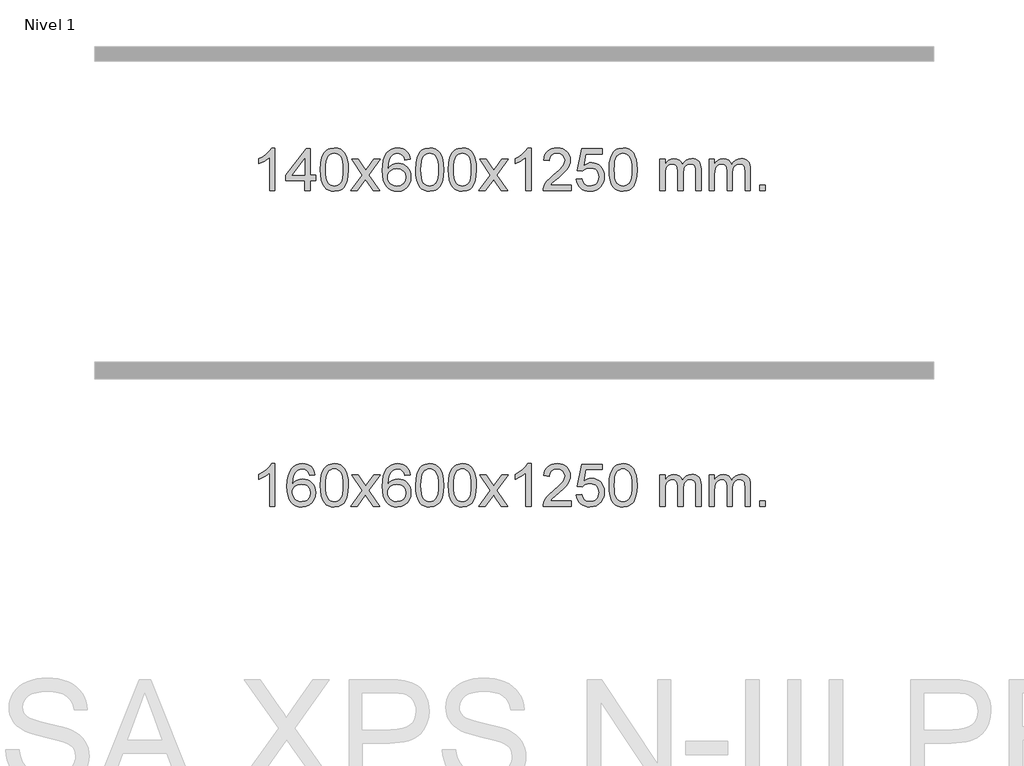
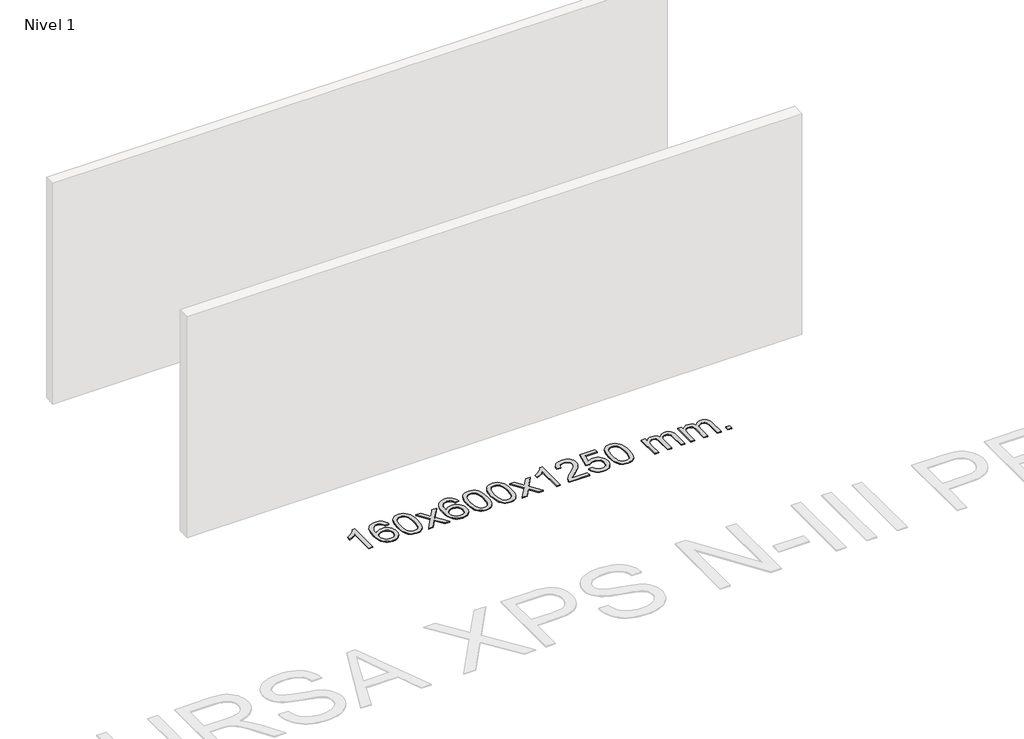
# One storey, part 2 of 6: 2 proxies.
"""IFC4 building model written with IfcOpenShell, lengths in millimetres."""

from ifc_helpers import new_model, si_unit, origin, origin_with_axes, place, context, project, spatial, polyline, outline, extrude, element, save

model = new_model("IFC4")

# Units and contexts
model_context = context("Model", 3, world=origin())
ifc_project = project(units=[si_unit("LENGTHUNIT", "METRE", prefix="MILLI")], contexts=[model_context])

# Site, building, storey
site = spatial("IfcSite", under=ifc_project)
building = spatial("IfcBuilding", under=site)
storey = spatial("IfcBuildingStorey", under=building, Name="Nivel 1", Elevation=0.0)

# Proxies
placement = place(None, origin())
element("IfcBuildingElementProxy", 1, Name="Texto de modelo 1", ObjectType="Texto de modelo 1", at=placement, inside=storey, context=model_context, shape_type="SweptSolid", body=[
    extrude(outline(polyline([(-4836.3117093, -18381.579453), (-4886.5398644, -18381.579453), (-4886.5398644, -18068.4382987), (-4907.5091381, -18085.3976587), (-4934.1192691, -18102.3324932), (-4986.9961745, -18127.6918254), (-4986.9961745, -18080.2105225), (-4947.5469619, -18058.7507395), (-4913.3707246, -18033.219729), (-4886.4294998, -18006.0700378), (-4868.6853249, -17979.7542124), (-4836.3117093, -17979.7542124), (-4836.3117093, -18381.579453)])), origin_with_axes(), (0.0, 0.0, 1.0), 10.0),
    extrude(outline(polyline([(-4553.778337, -18381.579453), (-4553.778337, -18287.4016622), (-4735.8553992, -18287.4016622), (-4735.8553992, -18237.1735072), (-4541.2212982, -17986.0327318), (-4503.5501819, -17986.0327318), (-4503.5501819, -18237.1735072), (-4453.3220269, -18237.1735072), (-4453.3220269, -18287.4016622), (-4503.5501819, -18287.4016622), (-4503.5501819, -18381.579453), (-4553.778337, -18381.579453)]), holes=[polyline([(-4553.778337, -18237.1735072), (-4553.778337, -18081.9763561), (-4674.051224, -18237.1735072), (-4553.778337, -18237.1735072)])]), origin_with_axes(), (0.0, 0.0, 1.0), 10.0),
    extrude(outline(polyline([(-4409.3723912, -18183.9041943), (-4405.6813085, -18119.5861588), (-4394.6080604, -18068.2911459), (-4376.2630116, -18029.2343407), (-4364.4049486, -18014.0009605), (-4350.7565266, -18001.6309284), (-4335.2717603, -17992.0598651), (-4317.9046644, -17985.2233914), (-4277.5234841, -17979.7542124), (-4246.5723456, -17982.991574), (-4218.8585686, -17992.7036586), (-4195.6820029, -18008.5103217), (-4178.3424982, -18030.0314184), (-4165.2458992, -18057.0830078), (-4154.7980505, -18089.4811488), (-4147.9554454, -18130.6226186), (-4145.674577, -18183.9041943), (-4149.3288715, -18247.8543477), (-4160.291755, -18299.0267333), (-4178.5264392, -18338.1203266), (-4190.356911, -18353.3996922), (-4203.996136, -18365.8341036), (-4219.4992964, -18375.4695462), (-4236.9215746, -18382.3520052), (-4277.5234841, -18387.8579724), (-4305.1882101, -18385.4667394), (-4329.7136765, -18378.2930405), (-4351.0998831, -18366.3368757), (-4369.3468301, -18349.5982449), (-4386.8580131, -18319.3399508), (-4399.3660009, -18281.6381776), (-4406.8707936, -18236.4929255), (-4409.3723912, -18183.9041943)]), holes=[polyline([(-4359.1442361, -18183.8060924), (-4357.6727081, -18227.4706195), (-4353.2581242, -18262.8148822), (-4345.9004843, -18289.8388804), (-4335.5997884, -18308.5426142), (-4323.1408515, -18321.2682656), (-4309.3084885, -18330.3580165), (-4294.1026993, -18335.8118671), (-4277.5234841, -18337.6298173), (-4260.9442688, -18335.8057357), (-4245.7384797, -18330.3334911), (-4231.9061167, -18321.2130833), (-4219.4471798, -18308.4445124), (-4209.1464839, -18289.7101217), (-4201.788844, -18262.6922549), (-4197.3742601, -18227.3909118), (-4195.9027321, -18183.8060924), (-4197.3252091, -18141.2973278), (-4201.5926403, -18106.5753989), (-4208.7050255, -18079.6403055), (-4218.6623649, -18060.4920476), (-4230.9128353, -18047.1440625), (-4244.9046139, -18037.6097875), (-4260.6377005, -18031.8892225), (-4278.1120953, -18029.9823675), (-4294.6054714, -18031.6623619), (-4309.5537431, -18036.7023452), (-4322.9569105, -18045.1023175), (-4334.8149735, -18056.8622786), (-4345.4590259, -18077.708925), (-4353.0619204, -18105.8151094), (-4357.6236572, -18141.1808319), (-4359.1442361, -18183.8060924)])]), origin_with_axes(), (0.0, 0.0, 1.0), 10.0),
    extrude(outline(polyline([(-4120.5604995, -18381.579453), (-4013.2370588, -18233.2494325), (-4114.2819801, -18086.4890419), (-4053.851231, -18086.4890419), (-4005.0946039, -18157.122385), (-3982.3349712, -18190.4770192), (-3962.6164962, -18163.2047007), (-3907.0908404, -18086.4890419), (-3846.6600913, -18086.4890419), (-3952.8063097, -18233.2494325), (-3850.584166, -18381.579453), (-3911.014915, -18381.579453), (-3972.5247846, -18292.4048574), (-3983.8064991, -18276.1199477), (-4060.1297504, -18381.579453), (-4120.5604995, -18381.579453)])), origin_with_axes(), (0.0, 0.0, 1.0), 10.0),
    extrude(outline(polyline([(-3561.7722743, -18086.4890419), (-3612.0004294, -18092.7675613), (-3620.0938332, -18067.874213), (-3631.0321912, -18050.8780648), (-3653.8163495, -18035.2062918), (-3681.3584482, -18029.9823675), (-3704.7066921, -18033.0235253), (-3726.68151, -18042.1469988), (-3745.5538563, -18061.3627017), (-3760.9681119, -18087.8134171), (-3771.3791724, -18125.227016), (-3775.2419333, -18177.3313693), (-3755.0942627, -18153.8237098), (-3730.9489411, -18137.2567573), (-3704.1548691, -18127.434308), (-3676.0609474, -18124.1601582), (-3651.9278886, -18126.398107), (-3629.6587651, -18133.1119534), (-3609.2535771, -18144.3016975), (-3590.7123246, -18159.9673391), (-3575.3042003, -18179.1769106), (-3564.2983973, -18200.9984443), (-3557.6949155, -18225.4319401), (-3555.4937549, -18252.4773982), (-3559.6385587, -18288.4439945), (-3572.0729701, -18321.786366), (-3591.7669196, -18350.0642287), (-3617.6903375, -18370.8372987), (-3648.6660015, -18383.602804), (-3683.5166892, -18387.8579724), (-3713.4592179, -18385.0375437), (-3740.5016103, -18376.5762579), (-3764.6438662, -18362.4741147), (-3785.8859857, -18342.7311143), (-3803.2040307, -18316.5133908), (-3815.5740627, -18282.9870783), (-3822.996082, -18242.1521768), (-3825.4700884, -18194.0086864), (-3822.7232362, -18140.0342663), (-3814.4826795, -18093.9693092), (-3800.7484183, -18055.8138149), (-3781.5204527, -18025.5677835), (-3760.6799377, -18005.5243462), (-3736.516222, -17991.2076052), (-3709.0293056, -17982.6175606), (-3678.2191885, -17979.7542124), (-3655.0855424, -17981.5261773), (-3634.1469255, -17986.8420722), (-3615.4033378, -17995.7018969), (-3598.8547794, -18008.1056515), (-3584.94884, -18023.6364031), (-3574.1331093, -18041.8772186), (-3566.4075874, -18062.8280983), (-3561.7722743, -18086.4890419)]), holes=[polyline([(-3775.2419333, -18251.6925832), (-3772.3356656, -18273.9494439), (-3763.6168623, -18295.2007605), (-3750.0788049, -18313.472233), (-3732.7147747, -18326.7895612), (-3711.7577637, -18334.9197533), (-3687.4407638, -18337.6298173), (-3654.2945961, -18332.0134855), (-3640.3794596, -18324.9930708), (-3628.2362881, -18315.1644901), (-3618.3862477, -18302.9262824), (-3611.3505045, -18288.6769865), (-3605.72191, -18254.1451299), (-3611.2769281, -18220.9989621), (-3618.2207008, -18207.3781312), (-3627.9419825, -18195.725469), (-3640.1219422, -18186.3904634), (-3654.4417489, -18179.7226022), (-3689.500903, -18174.3883133), (-3722.5980198, -18179.7226022), (-3750.2750086, -18195.725469), (-3761.1980382, -18207.2248471), (-3769.0002022, -18220.3858254), (-3773.6815005, -18235.2084042), (-3775.2419333, -18251.6925832)])]), origin_with_axes(), (0.0, 0.0, 1.0), 10.0),
    extrude(outline(polyline([(-3511.5441192, -18183.9041943), (-3507.8530365, -18119.5861588), (-3496.7797885, -18068.2911459), (-3478.4347396, -18029.2343407), (-3466.5766767, -18014.0009605), (-3452.9282546, -18001.6309284), (-3437.4434883, -17992.0598651), (-3420.0763925, -17985.2233914), (-3379.6952121, -17979.7542124), (-3348.7440736, -17982.991574), (-3321.0302966, -17992.7036586), (-3297.8537309, -18008.5103217), (-3280.5142262, -18030.0314184), (-3267.4176272, -18057.0830078), (-3256.9697785, -18089.4811488), (-3250.1271734, -18130.6226186), (-3247.8463051, -18183.9041943), (-3251.5005995, -18247.8543477), (-3262.463483, -18299.0267333), (-3280.6981672, -18338.1203266), (-3292.5286391, -18353.3996922), (-3306.167864, -18365.8341036), (-3321.6710244, -18375.4695462), (-3339.0933026, -18382.3520052), (-3379.6952121, -18387.8579724), (-3407.3599382, -18385.4667394), (-3431.8854045, -18378.2930405), (-3453.2716112, -18366.3368757), (-3471.5185581, -18349.5982449), (-3489.0297411, -18319.3399508), (-3501.5377289, -18281.6381776), (-3509.0425216, -18236.4929255), (-3511.5441192, -18183.9041943)]), holes=[polyline([(-3461.3159641, -18183.8060924), (-3459.8444361, -18227.4706195), (-3455.4298522, -18262.8148822), (-3448.0722123, -18289.8388804), (-3437.7715164, -18308.5426142), (-3425.3125795, -18321.2682656), (-3411.4802165, -18330.3580165), (-3396.2744274, -18335.8118671), (-3379.6952121, -18337.6298173), (-3363.1159969, -18335.8057357), (-3347.9102077, -18330.3334911), (-3334.0778447, -18321.2130833), (-3321.6189078, -18308.4445124), (-3311.318212, -18289.7101217), (-3303.9605721, -18262.6922549), (-3299.5459881, -18227.3909118), (-3298.0744601, -18183.8060924), (-3299.4969372, -18141.2973278), (-3303.7643683, -18106.5753989), (-3310.8767536, -18079.6403055), (-3320.8340929, -18060.4920476), (-3333.0845633, -18047.1440625), (-3347.0763419, -18037.6097875), (-3362.8094286, -18031.8892225), (-3380.2838233, -18029.9823675), (-3396.7771994, -18031.6623619), (-3411.7254712, -18036.7023452), (-3425.1286385, -18045.1023175), (-3436.9867015, -18056.8622786), (-3447.6307539, -18077.708925), (-3455.2336485, -18105.8151094), (-3459.7953852, -18141.1808319), (-3461.3159641, -18183.8060924)])]), origin_with_axes(), (0.0, 0.0, 1.0), 10.0),
    extrude(outline(polyline([(-3203.8966694, -18183.9041943), (-3200.2055867, -18119.5861588), (-3189.1323386, -18068.2911459), (-3170.7872898, -18029.2343407), (-3158.9292268, -18014.0009605), (-3145.2808048, -18001.6309284), (-3129.7960385, -17992.0598651), (-3112.4289426, -17985.2233914), (-3072.0477623, -17979.7542124), (-3041.0966238, -17982.991574), (-3013.3828468, -17992.7036586), (-2990.2062811, -18008.5103217), (-2972.8667764, -18030.0314184), (-2959.7701774, -18057.0830078), (-2949.3223287, -18089.4811488), (-2942.4797236, -18130.6226186), (-2940.1988552, -18183.9041943), (-2943.8531497, -18247.8543477), (-2954.8160332, -18299.0267333), (-2973.0507174, -18338.1203266), (-2984.8811892, -18353.3996922), (-2998.5204142, -18365.8341036), (-3014.0235746, -18375.4695462), (-3031.4458528, -18382.3520052), (-3072.0477623, -18387.8579724), (-3099.7124883, -18385.4667394), (-3124.2379547, -18378.2930405), (-3145.6241613, -18366.3368757), (-3163.8711083, -18349.5982449), (-3181.3822913, -18319.3399508), (-3193.8902791, -18281.6381776), (-3201.3950718, -18236.4929255), (-3203.8966694, -18183.9041943)]), holes=[polyline([(-3153.6685143, -18183.8060924), (-3152.1969863, -18227.4706195), (-3147.7824024, -18262.8148822), (-3140.4247625, -18289.8388804), (-3130.1240666, -18308.5426142), (-3117.6651297, -18321.2682656), (-3103.8327667, -18330.3580165), (-3088.6269775, -18335.8118671), (-3072.0477623, -18337.6298173), (-3055.468547, -18335.8057357), (-3040.2627579, -18330.3334911), (-3026.4303949, -18321.2130833), (-3013.971458, -18308.4445124), (-3003.6707621, -18289.7101217), (-2996.3131222, -18262.6922549), (-2991.8985383, -18227.3909118), (-2990.4270103, -18183.8060924), (-2991.8494873, -18141.2973278), (-2996.1169185, -18106.5753989), (-3003.2293037, -18079.6403055), (-3013.1866431, -18060.4920476), (-3025.4371135, -18047.1440625), (-3039.4288921, -18037.6097875), (-3055.1619787, -18031.8892225), (-3072.6363735, -18029.9823675), (-3089.1297496, -18031.6623619), (-3104.0780213, -18036.7023452), (-3117.4811887, -18045.1023175), (-3129.3392517, -18056.8622786), (-3139.9833041, -18077.708925), (-3147.5861986, -18105.8151094), (-3152.1479354, -18141.1808319), (-3153.6685143, -18183.8060924)])]), origin_with_axes(), (0.0, 0.0, 1.0), 10.0),
    extrude(outline(polyline([(-2915.0847777, -18381.579453), (-2807.761337, -18233.2494325), (-2908.8062583, -18086.4890419), (-2848.3755092, -18086.4890419), (-2799.6188821, -18157.122385), (-2776.8592494, -18190.4770192), (-2757.1407744, -18163.2047007), (-2701.6151186, -18086.4890419), (-2641.1843695, -18086.4890419), (-2747.3305879, -18233.2494325), (-2645.1084442, -18381.579453), (-2705.5391932, -18381.579453), (-2767.0490628, -18292.4048574), (-2778.3307773, -18276.1199477), (-2854.6540286, -18381.579453), (-2915.0847777, -18381.579453)])), origin_with_axes(), (0.0, 0.0, 1.0), 10.0),
    extrude(outline(polyline([(-2425.3602657, -18381.579453), (-2475.5884208, -18381.579453), (-2475.5884208, -18068.4382987), (-2496.5576945, -18085.3976587), (-2523.1678255, -18102.3324932), (-2576.0447309, -18127.6918254), (-2576.0447309, -18080.2105225), (-2536.5955183, -18058.7507395), (-2502.419281, -18033.219729), (-2475.4780562, -18006.0700378), (-2457.7338813, -17979.7542124), (-2425.3602657, -17979.7542124), (-2425.3602657, -18381.579453)])), origin_with_axes(), (0.0, 0.0, 1.0), 10.0),
    extrude(outline(polyline([(-2048.6491026, -18331.3512979), (-2048.6491026, -18381.579453), (-2312.3469168, -18381.579453), (-2311.2432708, -18363.8965918), (-2306.9513142, -18346.9494945), (-2294.5659537, -18319.8856424), (-2276.4416341, -18293.6311307), (-2250.2239105, -18266.1503456), (-2213.5583384, -18235.4076736), (-2159.3570577, -18187.2641831), (-2126.8362894, -18151.7267824), (-2110.5759052, -18122.884834), (-2105.1557771, -18094.8277005), (-2110.2693368, -18069.6768347), (-2125.610016, -18048.7688747), (-2149.1912519, -18034.6789943), (-2179.0264817, -18029.9823675), (-2210.357765, -18034.5686297), (-2234.6992903, -18048.3274163), (-2250.4078515, -18070.1796068), (-2255.8402423, -18099.0460807), (-2306.0683974, -18092.7675613), (-2301.7488496, -18066.838012), (-2293.8915034, -18044.1826125), (-2282.4963586, -18024.8013627), (-2267.5634152, -18008.6942627), (-2249.4360299, -17996.0329907), (-2228.4575592, -17986.989225), (-2204.6280029, -17981.5629655), (-2177.9473612, -17979.7542124), (-2151.0275962, -17981.7653006), (-2127.0692813, -17987.7985654), (-2106.0724164, -17997.8540066), (-2088.0370016, -18011.9316242), (-2073.551648, -18028.9890861), (-2063.2049669, -18047.9840598), (-2056.9969583, -18068.9165453), (-2054.927622, -18091.7865427), (-2057.1594395, -18115.8092369), (-2063.8548918, -18139.4149983), (-2075.7374802, -18163.4254299), (-2093.5307061, -18188.6621347), (-2121.8944079, -18218.7916701), (-2165.4884243, -18257.4805933), (-2223.270423, -18305.795762), (-2245.9319539, -18331.3512979), (-2048.6491026, -18331.3512979)])), origin_with_axes(), (0.0, 0.0, 1.0), 10.0),
    extrude(outline(polyline([(-1998.4209476, -18274.8446235), (-1948.1927925, -18268.5661041), (-1938.9712172, -18298.7201649), (-1922.8825112, -18320.3148381), (-1900.0002511, -18333.3010725), (-1870.3980133, -18337.6298173), (-1851.2681495, -18336.1245668), (-1834.3946287, -18331.6088153), (-1819.7774507, -18324.0825628), (-1807.4166157, -18313.5458094), (-1797.588035, -18300.519721), (-1790.5676203, -18285.5254641), (-1784.9512885, -18249.6324441), (-1790.212001, -18215.8363514), (-1796.7878917, -18201.9181493), (-1805.9941386, -18189.9865099), (-1817.8613987, -18180.4154467), (-1832.4203286, -18173.5789729), (-1869.6131983, -18168.1097939), (-1893.9792491, -18170.2925604), (-1913.7099868, -18176.8408599), (-1929.4675989, -18186.8717757), (-1941.9142731, -18199.5023908), (-1992.1424282, -18193.2238715), (-1948.1927925, -17986.0327318), (-1753.5586916, -17986.0327318), (-1753.5586916, -18036.2608869), (-1907.5786202, -18036.2608869), (-1929.0629287, -18146.919791), (-1911.3371479, -18134.2155994), (-1893.1821715, -18125.1411769), (-1874.5979994, -18119.6965234), (-1855.5846316, -18117.8816388), (-1831.1235446, -18120.1318504), (-1808.6551517, -18126.882485), (-1788.179453, -18138.1335427), (-1769.6964484, -18153.8850234), (-1754.3956231, -18173.1743027), (-1743.4664622, -18195.038756), (-1736.9089656, -18219.4783832), (-1734.7231334, -18246.4931844), (-1736.6913021, -18272.5147042), (-1742.5958081, -18296.7213394), (-1752.4366515, -18319.1130902), (-1766.2138322, -18339.6899565), (-1787.0850041, -18360.7634634), (-1811.4387922, -18375.8159684), (-1839.2751965, -18384.8474714), (-1870.594217, -18387.8579724), (-1896.5145692, -18385.9235262), (-1919.9271925, -18380.1201877), (-1940.8320869, -18370.447957), (-1959.2292524, -18356.9068338), (-1974.536209, -18340.1712688), (-1986.1704771, -18320.915712), (-1994.1320566, -18299.1401636), (-1998.4209476, -18274.8446235)])), origin_with_axes(), (0.0, 0.0, 1.0), 10.0),
    extrude(outline(polyline([(-1690.7734977, -18183.9041943), (-1687.0824151, -18119.5861588), (-1676.009167, -18068.2911459), (-1657.6641182, -18029.2343407), (-1645.8060552, -18014.0009605), (-1632.1576332, -18001.6309284), (-1616.6728669, -17992.0598651), (-1599.305771, -17985.2233914), (-1558.9245907, -17979.7542124), (-1527.9734521, -17982.991574), (-1500.2596752, -17992.7036586), (-1477.0831095, -18008.5103217), (-1459.7436048, -18030.0314184), (-1446.6470057, -18057.0830078), (-1436.1991571, -18089.4811488), (-1429.356552, -18130.6226186), (-1427.0756836, -18183.9041943), (-1430.7299781, -18247.8543477), (-1441.6928615, -18299.0267333), (-1459.9275458, -18338.1203266), (-1471.7580176, -18353.3996922), (-1485.3972426, -18365.8341036), (-1500.900403, -18375.4695462), (-1518.3226811, -18382.3520052), (-1558.9245907, -18387.8579724), (-1586.5893167, -18385.4667394), (-1611.1147831, -18378.2930405), (-1632.5009897, -18366.3368757), (-1650.7479367, -18349.5982449), (-1668.2591196, -18319.3399508), (-1680.7671075, -18281.6381776), (-1688.2719002, -18236.4929255), (-1690.7734977, -18183.9041943)]), holes=[polyline([(-1640.5453427, -18183.8060924), (-1639.0738147, -18227.4706195), (-1634.6592307, -18262.8148822), (-1627.3015908, -18289.8388804), (-1617.000895, -18308.5426142), (-1604.5419581, -18321.2682656), (-1590.7095951, -18330.3580165), (-1575.5038059, -18335.8118671), (-1558.9245907, -18337.6298173), (-1542.3453754, -18335.8057357), (-1527.1395863, -18330.3334911), (-1513.3072233, -18321.2130833), (-1500.8482864, -18308.4445124), (-1490.5475905, -18289.7101217), (-1483.1899506, -18262.6922549), (-1478.7753667, -18227.3909118), (-1477.3038387, -18183.8060924), (-1478.7263157, -18141.2973278), (-1482.9937469, -18106.5753989), (-1490.1061321, -18079.6403055), (-1500.0634714, -18060.4920476), (-1512.3139419, -18047.1440625), (-1526.3057204, -18037.6097875), (-1542.0388071, -18031.8892225), (-1559.5132019, -18029.9823675), (-1576.006578, -18031.6623619), (-1590.9548497, -18036.7023452), (-1604.3580171, -18045.1023175), (-1616.2160801, -18056.8622786), (-1626.8601324, -18077.708925), (-1634.463027, -18105.8151094), (-1639.0247638, -18141.1808319), (-1640.5453427, -18183.8060924)])]), origin_with_axes(), (0.0, 0.0, 1.0), 10.0),
    extrude(outline(polyline([(-1213.6060245, -18381.579453), (-1213.6060245, -18086.4890419), (-1163.3778695, -18086.4890419), (-1163.3778695, -18135.0494653), (-1148.2701822, -18112.7435537), (-1128.8460128, -18095.2691589), (-1105.767549, -18083.9751816), (-1079.6969783, -18080.2105225), (-1051.7624721, -18084.048758), (-1029.3707213, -18095.5634645), (-1012.6443533, -18113.9943524), (-1001.7059953, -18138.5811324), (-983.3977347, -18113.0439906), (-962.5143001, -18094.803175), (-939.0556915, -18083.8586857), (-913.021909, -18080.2105225), (-892.9140923, -18081.7280358), (-875.2649536, -18086.2805755), (-860.0744928, -18093.8681416), (-847.3427101, -18104.4907342), (-837.2780719, -18118.2709806), (-830.0890446, -18135.3315082), (-825.7756282, -18155.6723168), (-824.3378227, -18179.2934066), (-824.3378227, -18381.579453), (-874.5659778, -18381.579453), (-874.5659778, -18200.875817), (-875.7309374, -18175.8230531), (-879.2258164, -18158.9372695), (-885.7741159, -18147.3735121), (-896.0993372, -18138.2868268), (-909.3798773, -18132.4007149), (-924.7941329, -18130.4386776), (-952.0051378, -18135.4663982), (-974.1884221, -18150.54956), (-982.7937951, -18162.1194488), (-988.9404901, -18176.7182326), (-993.8578461, -18215.0024856), (-993.8578461, -18381.579453), (-1044.0860012, -18381.579453), (-1044.0860012, -18195.2840106), (-1046.9922689, -18166.8835206), (-1055.7110722, -18146.6254854), (-1071.0517514, -18134.4853796), (-1093.8236469, -18130.4386776), (-1113.1742398, -18133.1364789), (-1131.0042539, -18141.2298828), (-1145.7195337, -18154.5226856), (-1155.725924, -18172.8186835), (-1161.4648831, -18198.2025411), (-1163.3778695, -18232.7589232), (-1163.3778695, -18381.579453), (-1213.6060245, -18381.579453)])), origin_with_axes(), (0.0, 0.0, 1.0), 10.0),
    extrude(outline(polyline([(-748.9955901, -18381.579453), (-748.9955901, -18086.4890419), (-698.767435, -18086.4890419), (-698.767435, -18135.0494653), (-683.6597477, -18112.7435537), (-664.2355784, -18095.2691589), (-641.1571146, -18083.9751816), (-615.0865438, -18080.2105225), (-587.1520377, -18084.048758), (-564.7602869, -18095.5634645), (-548.0339189, -18113.9943524), (-537.0955609, -18138.5811324), (-518.7873002, -18113.0439906), (-497.9038656, -18094.803175), (-474.4452571, -18083.8586857), (-448.4114746, -18080.2105225), (-428.3036578, -18081.7280358), (-410.6545191, -18086.2805755), (-395.4640584, -18093.8681416), (-382.7322757, -18104.4907342), (-372.6676374, -18118.2709806), (-365.4786101, -18135.3315082), (-361.1651937, -18155.6723168), (-359.7273883, -18179.2934066), (-359.7273883, -18381.579453), (-409.9555433, -18381.579453), (-409.9555433, -18200.875817), (-411.120503, -18175.8230531), (-414.6153819, -18158.9372695), (-421.1636815, -18147.3735121), (-431.4889028, -18138.2868268), (-444.7694428, -18132.4007149), (-460.1836984, -18130.4386776), (-487.3947033, -18135.4663982), (-509.5779876, -18150.54956), (-518.1833606, -18162.1194488), (-524.3300556, -18176.7182326), (-529.2474116, -18215.0024856), (-529.2474116, -18381.579453), (-579.4755667, -18381.579453), (-579.4755667, -18195.2840106), (-582.3818345, -18166.8835206), (-591.1006378, -18146.6254854), (-606.441317, -18134.4853796), (-629.2132125, -18130.4386776), (-648.5638054, -18133.1364789), (-666.3938194, -18141.2298828), (-681.1090992, -18154.5226856), (-691.1154895, -18172.8186835), (-696.8544486, -18198.2025411), (-698.767435, -18232.7589232), (-698.767435, -18381.579453), (-748.9955901, -18381.579453)])), origin_with_axes(), (0.0, 0.0, 1.0), 10.0),
    extrude(outline(polyline([(-271.8281169, -18381.579453), (-271.8281169, -18331.3512979), (-221.5999618, -18331.3512979), (-221.5999618, -18381.579453), (-271.8281169, -18381.579453)])), origin_with_axes(), (0.0, 0.0, 1.0), 10.0),
])
element("IfcBuildingElementProxy", 2, Name="Texto de modelo 1", ObjectType="Texto de modelo 1", at=placement, inside=storey, context=model_context, shape_type="SweptSolid", body=[
    extrude(outline(polyline([(-4836.3117093, -21355.579453), (-4886.5398644, -21355.579453), (-4886.5398644, -21042.4382987), (-4907.5091381, -21059.3976587), (-4934.1192691, -21076.3324932), (-4986.9961745, -21101.6918254), (-4986.9961745, -21054.2105225), (-4947.5469619, -21032.7507395), (-4913.3707246, -21007.219729), (-4886.4294998, -20980.0700378), (-4868.6853249, -20953.7542124), (-4836.3117093, -20953.7542124), (-4836.3117093, -21355.579453)])), origin_with_axes(), (0.0, 0.0, 1.0), 10.0),
    extrude(outline(polyline([(-4459.6005462, -21060.4890419), (-4509.8287013, -21066.7675613), (-4517.9221052, -21041.874213), (-4528.8604632, -21024.8780648), (-4551.6446214, -21009.2062918), (-4579.1867201, -21003.9823675), (-4602.5349641, -21007.0235253), (-4624.5097819, -21016.1469988), (-4643.3821283, -21035.3627017), (-4658.7963839, -21061.8134171), (-4669.2074444, -21099.227016), (-4673.0702053, -21151.3313693), (-4652.9225347, -21127.8237098), (-4628.7772131, -21111.2567573), (-4601.9831411, -21101.434308), (-4573.8892194, -21098.1601582), (-4549.7561605, -21100.398107), (-4527.4870371, -21107.1119534), (-4507.0818491, -21118.3016975), (-4488.5405965, -21133.9673391), (-4473.1324723, -21153.1769106), (-4462.1266693, -21174.9984443), (-4455.5231875, -21199.4319401), (-4453.3220269, -21226.4773982), (-4457.4668307, -21262.4439945), (-4469.9012421, -21295.786366), (-4489.5951916, -21324.0642287), (-4515.5186095, -21344.8372987), (-4546.4942735, -21357.602804), (-4581.3449612, -21361.8579724), (-4611.2874899, -21359.0375437), (-4638.3298822, -21350.5762579), (-4662.4721382, -21336.4741147), (-4683.7142577, -21316.7311143), (-4701.0323026, -21290.5133908), (-4713.4023347, -21256.9870783), (-4720.824354, -21216.1521768), (-4723.2983604, -21168.0086864), (-4720.5515082, -21114.0342663), (-4712.3109515, -21067.9693092), (-4698.5766903, -21029.8138149), (-4679.3487247, -20999.5677835), (-4658.5082097, -20979.5243462), (-4634.3444939, -20965.2076052), (-4606.8575775, -20956.6175606), (-4576.0474604, -20953.7542124), (-4552.9138143, -20955.5261773), (-4531.9751974, -20960.8420722), (-4513.2316098, -20969.7018969), (-4496.6830514, -20982.1056515), (-4482.7771119, -20997.6364031), (-4471.9613813, -21015.8772186), (-4464.2358594, -21036.8280983), (-4459.6005462, -21060.4890419)]), holes=[polyline([(-4673.0702053, -21225.6925832), (-4670.1639375, -21247.9494439), (-4661.4451343, -21269.2007605), (-4647.9070768, -21287.472233), (-4630.5430467, -21300.7895612), (-4609.5860357, -21308.9197533), (-4585.2690358, -21311.6298173), (-4552.122868, -21306.0134855), (-4538.2077316, -21298.9930708), (-4526.06456, -21289.1644901), (-4516.2145196, -21276.9262824), (-4509.1787765, -21262.6769865), (-4503.5501819, -21228.1451299), (-4509.1052001, -21194.9989621), (-4516.0489727, -21181.3781312), (-4525.7702544, -21169.725469), (-4537.9502142, -21160.3904634), (-4552.2700208, -21153.7226022), (-4587.329175, -21148.3883133), (-4620.4262918, -21153.7226022), (-4648.1032806, -21169.725469), (-4659.0263101, -21181.2248471), (-4666.8284741, -21194.3858254), (-4671.5097725, -21209.2084042), (-4673.0702053, -21225.6925832)])]), origin_with_axes(), (0.0, 0.0, 1.0), 10.0),
    extrude(outline(polyline([(-4409.3723912, -21157.9041943), (-4405.6813085, -21093.5861588), (-4394.6080604, -21042.2911459), (-4376.2630116, -21003.2343407), (-4364.4049486, -20988.0009605), (-4350.7565266, -20975.6309284), (-4335.2717603, -20966.0598651), (-4317.9046644, -20959.2233914), (-4277.5234841, -20953.7542124), (-4246.5723456, -20956.991574), (-4218.8585686, -20966.7036586), (-4195.6820029, -20982.5103217), (-4178.3424982, -21004.0314184), (-4165.2458992, -21031.0830078), (-4154.7980505, -21063.4811488), (-4147.9554454, -21104.6226186), (-4145.674577, -21157.9041943), (-4149.3288715, -21221.8543477), (-4160.291755, -21273.0267333), (-4178.5264392, -21312.1203266), (-4190.356911, -21327.3996922), (-4203.996136, -21339.8341036), (-4219.4992964, -21349.4695462), (-4236.9215746, -21356.3520052), (-4277.5234841, -21361.8579724), (-4305.1882101, -21359.4667394), (-4329.7136765, -21352.2930405), (-4351.0998831, -21340.3368757), (-4369.3468301, -21323.5982449), (-4386.8580131, -21293.3399508), (-4399.3660009, -21255.6381776), (-4406.8707936, -21210.4929255), (-4409.3723912, -21157.9041943)]), holes=[polyline([(-4359.1442361, -21157.8060924), (-4357.6727081, -21201.4706195), (-4353.2581242, -21236.8148822), (-4345.9004843, -21263.8388804), (-4335.5997884, -21282.5426142), (-4323.1408515, -21295.2682656), (-4309.3084885, -21304.3580165), (-4294.1026993, -21309.8118671), (-4277.5234841, -21311.6298173), (-4260.9442688, -21309.8057357), (-4245.7384797, -21304.3334911), (-4231.9061167, -21295.2130833), (-4219.4471798, -21282.4445124), (-4209.1464839, -21263.7101217), (-4201.788844, -21236.6922549), (-4197.3742601, -21201.3909118), (-4195.9027321, -21157.8060924), (-4197.3252091, -21115.2973278), (-4201.5926403, -21080.5753989), (-4208.7050255, -21053.6403055), (-4218.6623649, -21034.4920476), (-4230.9128353, -21021.1440625), (-4244.9046139, -21011.6097875), (-4260.6377005, -21005.8892225), (-4278.1120953, -21003.9823675), (-4294.6054714, -21005.6623619), (-4309.5537431, -21010.7023452), (-4322.9569105, -21019.1023175), (-4334.8149735, -21030.8622786), (-4345.4590259, -21051.708925), (-4353.0619204, -21079.8151094), (-4357.6236572, -21115.1808319), (-4359.1442361, -21157.8060924)])]), origin_with_axes(), (0.0, 0.0, 1.0), 10.0),
    extrude(outline(polyline([(-4120.5604995, -21355.579453), (-4013.2370588, -21207.2494325), (-4114.2819801, -21060.4890419), (-4053.851231, -21060.4890419), (-4005.0946039, -21131.122385), (-3982.3349712, -21164.4770192), (-3962.6164962, -21137.2047007), (-3907.0908404, -21060.4890419), (-3846.6600913, -21060.4890419), (-3952.8063097, -21207.2494325), (-3850.584166, -21355.579453), (-3911.014915, -21355.579453), (-3972.5247846, -21266.4048574), (-3983.8064991, -21250.1199477), (-4060.1297504, -21355.579453), (-4120.5604995, -21355.579453)])), origin_with_axes(), (0.0, 0.0, 1.0), 10.0),
    extrude(outline(polyline([(-3561.7722743, -21060.4890419), (-3612.0004294, -21066.7675613), (-3620.0938332, -21041.874213), (-3631.0321912, -21024.8780648), (-3653.8163495, -21009.2062918), (-3681.3584482, -21003.9823675), (-3704.7066921, -21007.0235253), (-3726.68151, -21016.1469988), (-3745.5538563, -21035.3627017), (-3760.9681119, -21061.8134171), (-3771.3791724, -21099.227016), (-3775.2419333, -21151.3313693), (-3755.0942627, -21127.8237098), (-3730.9489411, -21111.2567573), (-3704.1548691, -21101.434308), (-3676.0609474, -21098.1601582), (-3651.9278886, -21100.398107), (-3629.6587651, -21107.1119534), (-3609.2535771, -21118.3016975), (-3590.7123246, -21133.9673391), (-3575.3042003, -21153.1769106), (-3564.2983973, -21174.9984443), (-3557.6949155, -21199.4319401), (-3555.4937549, -21226.4773982), (-3559.6385587, -21262.4439945), (-3572.0729701, -21295.786366), (-3591.7669196, -21324.0642287), (-3617.6903375, -21344.8372987), (-3648.6660015, -21357.602804), (-3683.5166892, -21361.8579724), (-3713.4592179, -21359.0375437), (-3740.5016103, -21350.5762579), (-3764.6438662, -21336.4741147), (-3785.8859857, -21316.7311143), (-3803.2040307, -21290.5133908), (-3815.5740627, -21256.9870783), (-3822.996082, -21216.1521768), (-3825.4700884, -21168.0086864), (-3822.7232362, -21114.0342663), (-3814.4826795, -21067.9693092), (-3800.7484183, -21029.8138149), (-3781.5204527, -20999.5677835), (-3760.6799377, -20979.5243462), (-3736.516222, -20965.2076052), (-3709.0293056, -20956.6175606), (-3678.2191885, -20953.7542124), (-3655.0855424, -20955.5261773), (-3634.1469255, -20960.8420722), (-3615.4033378, -20969.7018969), (-3598.8547794, -20982.1056515), (-3584.94884, -20997.6364031), (-3574.1331093, -21015.8772186), (-3566.4075874, -21036.8280983), (-3561.7722743, -21060.4890419)]), holes=[polyline([(-3775.2419333, -21225.6925832), (-3772.3356656, -21247.9494439), (-3763.6168623, -21269.2007605), (-3750.0788049, -21287.472233), (-3732.7147747, -21300.7895612), (-3711.7577637, -21308.9197533), (-3687.4407638, -21311.6298173), (-3654.2945961, -21306.0134855), (-3640.3794596, -21298.9930708), (-3628.2362881, -21289.1644901), (-3618.3862477, -21276.9262824), (-3611.3505045, -21262.6769865), (-3605.72191, -21228.1451299), (-3611.2769281, -21194.9989621), (-3618.2207008, -21181.3781312), (-3627.9419825, -21169.725469), (-3640.1219422, -21160.3904634), (-3654.4417489, -21153.7226022), (-3689.500903, -21148.3883133), (-3722.5980198, -21153.7226022), (-3750.2750086, -21169.725469), (-3761.1980382, -21181.2248471), (-3769.0002022, -21194.3858254), (-3773.6815005, -21209.2084042), (-3775.2419333, -21225.6925832)])]), origin_with_axes(), (0.0, 0.0, 1.0), 10.0),
    extrude(outline(polyline([(-3511.5441192, -21157.9041943), (-3507.8530365, -21093.5861588), (-3496.7797885, -21042.2911459), (-3478.4347396, -21003.2343407), (-3466.5766767, -20988.0009605), (-3452.9282546, -20975.6309284), (-3437.4434883, -20966.0598651), (-3420.0763925, -20959.2233914), (-3379.6952121, -20953.7542124), (-3348.7440736, -20956.991574), (-3321.0302966, -20966.7036586), (-3297.8537309, -20982.5103217), (-3280.5142262, -21004.0314184), (-3267.4176272, -21031.0830078), (-3256.9697785, -21063.4811488), (-3250.1271734, -21104.6226186), (-3247.8463051, -21157.9041943), (-3251.5005995, -21221.8543477), (-3262.463483, -21273.0267333), (-3280.6981672, -21312.1203266), (-3292.5286391, -21327.3996922), (-3306.167864, -21339.8341036), (-3321.6710244, -21349.4695462), (-3339.0933026, -21356.3520052), (-3379.6952121, -21361.8579724), (-3407.3599382, -21359.4667394), (-3431.8854045, -21352.2930405), (-3453.2716112, -21340.3368757), (-3471.5185581, -21323.5982449), (-3489.0297411, -21293.3399508), (-3501.5377289, -21255.6381776), (-3509.0425216, -21210.4929255), (-3511.5441192, -21157.9041943)]), holes=[polyline([(-3461.3159641, -21157.8060924), (-3459.8444361, -21201.4706195), (-3455.4298522, -21236.8148822), (-3448.0722123, -21263.8388804), (-3437.7715164, -21282.5426142), (-3425.3125795, -21295.2682656), (-3411.4802165, -21304.3580165), (-3396.2744274, -21309.8118671), (-3379.6952121, -21311.6298173), (-3363.1159969, -21309.8057357), (-3347.9102077, -21304.3334911), (-3334.0778447, -21295.2130833), (-3321.6189078, -21282.4445124), (-3311.318212, -21263.7101217), (-3303.9605721, -21236.6922549), (-3299.5459881, -21201.3909118), (-3298.0744601, -21157.8060924), (-3299.4969372, -21115.2973278), (-3303.7643683, -21080.5753989), (-3310.8767536, -21053.6403055), (-3320.8340929, -21034.4920476), (-3333.0845633, -21021.1440625), (-3347.0763419, -21011.6097875), (-3362.8094286, -21005.8892225), (-3380.2838233, -21003.9823675), (-3396.7771994, -21005.6623619), (-3411.7254712, -21010.7023452), (-3425.1286385, -21019.1023175), (-3436.9867015, -21030.8622786), (-3447.6307539, -21051.708925), (-3455.2336485, -21079.8151094), (-3459.7953852, -21115.1808319), (-3461.3159641, -21157.8060924)])]), origin_with_axes(), (0.0, 0.0, 1.0), 10.0),
    extrude(outline(polyline([(-3203.8966694, -21157.9041943), (-3200.2055867, -21093.5861588), (-3189.1323386, -21042.2911459), (-3170.7872898, -21003.2343407), (-3158.9292268, -20988.0009605), (-3145.2808048, -20975.6309284), (-3129.7960385, -20966.0598651), (-3112.4289426, -20959.2233914), (-3072.0477623, -20953.7542124), (-3041.0966238, -20956.991574), (-3013.3828468, -20966.7036586), (-2990.2062811, -20982.5103217), (-2972.8667764, -21004.0314184), (-2959.7701774, -21031.0830078), (-2949.3223287, -21063.4811488), (-2942.4797236, -21104.6226186), (-2940.1988552, -21157.9041943), (-2943.8531497, -21221.8543477), (-2954.8160332, -21273.0267333), (-2973.0507174, -21312.1203266), (-2984.8811892, -21327.3996922), (-2998.5204142, -21339.8341036), (-3014.0235746, -21349.4695462), (-3031.4458528, -21356.3520052), (-3072.0477623, -21361.8579724), (-3099.7124883, -21359.4667394), (-3124.2379547, -21352.2930405), (-3145.6241613, -21340.3368757), (-3163.8711083, -21323.5982449), (-3181.3822913, -21293.3399508), (-3193.8902791, -21255.6381776), (-3201.3950718, -21210.4929255), (-3203.8966694, -21157.9041943)]), holes=[polyline([(-3153.6685143, -21157.8060924), (-3152.1969863, -21201.4706195), (-3147.7824024, -21236.8148822), (-3140.4247625, -21263.8388804), (-3130.1240666, -21282.5426142), (-3117.6651297, -21295.2682656), (-3103.8327667, -21304.3580165), (-3088.6269775, -21309.8118671), (-3072.0477623, -21311.6298173), (-3055.468547, -21309.8057357), (-3040.2627579, -21304.3334911), (-3026.4303949, -21295.2130833), (-3013.971458, -21282.4445124), (-3003.6707621, -21263.7101217), (-2996.3131222, -21236.6922549), (-2991.8985383, -21201.3909118), (-2990.4270103, -21157.8060924), (-2991.8494873, -21115.2973278), (-2996.1169185, -21080.5753989), (-3003.2293037, -21053.6403055), (-3013.1866431, -21034.4920476), (-3025.4371135, -21021.1440625), (-3039.4288921, -21011.6097875), (-3055.1619787, -21005.8892225), (-3072.6363735, -21003.9823675), (-3089.1297496, -21005.6623619), (-3104.0780213, -21010.7023452), (-3117.4811887, -21019.1023175), (-3129.3392517, -21030.8622786), (-3139.9833041, -21051.708925), (-3147.5861986, -21079.8151094), (-3152.1479354, -21115.1808319), (-3153.6685143, -21157.8060924)])]), origin_with_axes(), (0.0, 0.0, 1.0), 10.0),
    extrude(outline(polyline([(-2915.0847777, -21355.579453), (-2807.761337, -21207.2494325), (-2908.8062583, -21060.4890419), (-2848.3755092, -21060.4890419), (-2799.6188821, -21131.122385), (-2776.8592494, -21164.4770192), (-2757.1407744, -21137.2047007), (-2701.6151186, -21060.4890419), (-2641.1843695, -21060.4890419), (-2747.3305879, -21207.2494325), (-2645.1084442, -21355.579453), (-2705.5391932, -21355.579453), (-2767.0490628, -21266.4048574), (-2778.3307773, -21250.1199477), (-2854.6540286, -21355.579453), (-2915.0847777, -21355.579453)])), origin_with_axes(), (0.0, 0.0, 1.0), 10.0),
    extrude(outline(polyline([(-2425.3602657, -21355.579453), (-2475.5884208, -21355.579453), (-2475.5884208, -21042.4382987), (-2496.5576945, -21059.3976587), (-2523.1678255, -21076.3324932), (-2576.0447309, -21101.6918254), (-2576.0447309, -21054.2105225), (-2536.5955183, -21032.7507395), (-2502.419281, -21007.219729), (-2475.4780562, -20980.0700378), (-2457.7338813, -20953.7542124), (-2425.3602657, -20953.7542124), (-2425.3602657, -21355.579453)])), origin_with_axes(), (0.0, 0.0, 1.0), 10.0),
    extrude(outline(polyline([(-2048.6491026, -21305.3512979), (-2048.6491026, -21355.579453), (-2312.3469168, -21355.579453), (-2311.2432708, -21337.8965918), (-2306.9513142, -21320.9494945), (-2294.5659537, -21293.8856424), (-2276.4416341, -21267.6311307), (-2250.2239105, -21240.1503456), (-2213.5583384, -21209.4076736), (-2159.3570577, -21161.2641831), (-2126.8362894, -21125.7267824), (-2110.5759052, -21096.884834), (-2105.1557771, -21068.8277005), (-2110.2693368, -21043.6768347), (-2125.610016, -21022.7688747), (-2149.1912519, -21008.6789943), (-2179.0264817, -21003.9823675), (-2210.357765, -21008.5686297), (-2234.6992903, -21022.3274163), (-2250.4078515, -21044.1796068), (-2255.8402423, -21073.0460807), (-2306.0683974, -21066.7675613), (-2301.7488496, -21040.838012), (-2293.8915034, -21018.1826125), (-2282.4963586, -20998.8013627), (-2267.5634152, -20982.6942627), (-2249.4360299, -20970.0329907), (-2228.4575592, -20960.989225), (-2204.6280029, -20955.5629655), (-2177.9473612, -20953.7542124), (-2151.0275962, -20955.7653006), (-2127.0692813, -20961.7985654), (-2106.0724164, -20971.8540066), (-2088.0370016, -20985.9316242), (-2073.551648, -21002.9890861), (-2063.2049669, -21021.9840598), (-2056.9969583, -21042.9165453), (-2054.927622, -21065.7865427), (-2057.1594395, -21089.8092369), (-2063.8548918, -21113.4149983), (-2075.7374802, -21137.4254299), (-2093.5307061, -21162.6621347), (-2121.8944079, -21192.7916701), (-2165.4884243, -21231.4805933), (-2223.270423, -21279.795762), (-2245.9319539, -21305.3512979), (-2048.6491026, -21305.3512979)])), origin_with_axes(), (0.0, 0.0, 1.0), 10.0),
    extrude(outline(polyline([(-1998.4209476, -21248.8446235), (-1948.1927925, -21242.5661041), (-1938.9712172, -21272.7201649), (-1922.8825112, -21294.3148381), (-1900.0002511, -21307.3010725), (-1870.3980133, -21311.6298173), (-1851.2681495, -21310.1245668), (-1834.3946287, -21305.6088153), (-1819.7774507, -21298.0825628), (-1807.4166157, -21287.5458094), (-1797.588035, -21274.519721), (-1790.5676203, -21259.5254641), (-1784.9512885, -21223.6324441), (-1790.212001, -21189.8363514), (-1796.7878917, -21175.9181493), (-1805.9941386, -21163.9865099), (-1817.8613987, -21154.4154467), (-1832.4203286, -21147.5789729), (-1869.6131983, -21142.1097939), (-1893.9792491, -21144.2925604), (-1913.7099868, -21150.8408599), (-1929.4675989, -21160.8717757), (-1941.9142731, -21173.5023908), (-1992.1424282, -21167.2238715), (-1948.1927925, -20960.0327318), (-1753.5586916, -20960.0327318), (-1753.5586916, -21010.2608869), (-1907.5786202, -21010.2608869), (-1929.0629287, -21120.919791), (-1911.3371479, -21108.2155994), (-1893.1821715, -21099.1411769), (-1874.5979994, -21093.6965234), (-1855.5846316, -21091.8816388), (-1831.1235446, -21094.1318504), (-1808.6551517, -21100.882485), (-1788.179453, -21112.1335427), (-1769.6964484, -21127.8850234), (-1754.3956231, -21147.1743027), (-1743.4664622, -21169.038756), (-1736.9089656, -21193.4783832), (-1734.7231334, -21220.4931844), (-1736.6913021, -21246.5147042), (-1742.5958081, -21270.7213394), (-1752.4366515, -21293.1130902), (-1766.2138322, -21313.6899565), (-1787.0850041, -21334.7634634), (-1811.4387922, -21349.8159684), (-1839.2751965, -21358.8474714), (-1870.594217, -21361.8579724), (-1896.5145692, -21359.9235262), (-1919.9271925, -21354.1201877), (-1940.8320869, -21344.447957), (-1959.2292524, -21330.9068338), (-1974.536209, -21314.1712688), (-1986.1704771, -21294.915712), (-1994.1320566, -21273.1401636), (-1998.4209476, -21248.8446235)])), origin_with_axes(), (0.0, 0.0, 1.0), 10.0),
    extrude(outline(polyline([(-1690.7734977, -21157.9041943), (-1687.0824151, -21093.5861588), (-1676.009167, -21042.2911459), (-1657.6641182, -21003.2343407), (-1645.8060552, -20988.0009605), (-1632.1576332, -20975.6309284), (-1616.6728669, -20966.0598651), (-1599.305771, -20959.2233914), (-1558.9245907, -20953.7542124), (-1527.9734521, -20956.991574), (-1500.2596752, -20966.7036586), (-1477.0831095, -20982.5103217), (-1459.7436048, -21004.0314184), (-1446.6470057, -21031.0830078), (-1436.1991571, -21063.4811488), (-1429.356552, -21104.6226186), (-1427.0756836, -21157.9041943), (-1430.7299781, -21221.8543477), (-1441.6928615, -21273.0267333), (-1459.9275458, -21312.1203266), (-1471.7580176, -21327.3996922), (-1485.3972426, -21339.8341036), (-1500.900403, -21349.4695462), (-1518.3226811, -21356.3520052), (-1558.9245907, -21361.8579724), (-1586.5893167, -21359.4667394), (-1611.1147831, -21352.2930405), (-1632.5009897, -21340.3368757), (-1650.7479367, -21323.5982449), (-1668.2591196, -21293.3399508), (-1680.7671075, -21255.6381776), (-1688.2719002, -21210.4929255), (-1690.7734977, -21157.9041943)]), holes=[polyline([(-1640.5453427, -21157.8060924), (-1639.0738147, -21201.4706195), (-1634.6592307, -21236.8148822), (-1627.3015908, -21263.8388804), (-1617.000895, -21282.5426142), (-1604.5419581, -21295.2682656), (-1590.7095951, -21304.3580165), (-1575.5038059, -21309.8118671), (-1558.9245907, -21311.6298173), (-1542.3453754, -21309.8057357), (-1527.1395863, -21304.3334911), (-1513.3072233, -21295.2130833), (-1500.8482864, -21282.4445124), (-1490.5475905, -21263.7101217), (-1483.1899506, -21236.6922549), (-1478.7753667, -21201.3909118), (-1477.3038387, -21157.8060924), (-1478.7263157, -21115.2973278), (-1482.9937469, -21080.5753989), (-1490.1061321, -21053.6403055), (-1500.0634714, -21034.4920476), (-1512.3139419, -21021.1440625), (-1526.3057204, -21011.6097875), (-1542.0388071, -21005.8892225), (-1559.5132019, -21003.9823675), (-1576.006578, -21005.6623619), (-1590.9548497, -21010.7023452), (-1604.3580171, -21019.1023175), (-1616.2160801, -21030.8622786), (-1626.8601324, -21051.708925), (-1634.463027, -21079.8151094), (-1639.0247638, -21115.1808319), (-1640.5453427, -21157.8060924)])]), origin_with_axes(), (0.0, 0.0, 1.0), 10.0),
    extrude(outline(polyline([(-1213.6060245, -21355.579453), (-1213.6060245, -21060.4890419), (-1163.3778695, -21060.4890419), (-1163.3778695, -21109.0494653), (-1148.2701822, -21086.7435537), (-1128.8460128, -21069.2691589), (-1105.767549, -21057.9751816), (-1079.6969783, -21054.2105225), (-1051.7624721, -21058.048758), (-1029.3707213, -21069.5634645), (-1012.6443533, -21087.9943524), (-1001.7059953, -21112.5811324), (-983.3977347, -21087.0439906), (-962.5143001, -21068.803175), (-939.0556915, -21057.8586857), (-913.021909, -21054.2105225), (-892.9140923, -21055.7280358), (-875.2649536, -21060.2805755), (-860.0744928, -21067.8681416), (-847.3427101, -21078.4907342), (-837.2780719, -21092.2709806), (-830.0890446, -21109.3315082), (-825.7756282, -21129.6723168), (-824.3378227, -21153.2934066), (-824.3378227, -21355.579453), (-874.5659778, -21355.579453), (-874.5659778, -21174.875817), (-875.7309374, -21149.8230531), (-879.2258164, -21132.9372695), (-885.7741159, -21121.3735121), (-896.0993372, -21112.2868268), (-909.3798773, -21106.4007149), (-924.7941329, -21104.4386776), (-952.0051378, -21109.4663982), (-974.1884221, -21124.54956), (-982.7937951, -21136.1194488), (-988.9404901, -21150.7182326), (-993.8578461, -21189.0024856), (-993.8578461, -21355.579453), (-1044.0860012, -21355.579453), (-1044.0860012, -21169.2840106), (-1046.9922689, -21140.8835206), (-1055.7110722, -21120.6254854), (-1071.0517514, -21108.4853796), (-1093.8236469, -21104.4386776), (-1113.1742398, -21107.1364789), (-1131.0042539, -21115.2298828), (-1145.7195337, -21128.5226856), (-1155.725924, -21146.8186835), (-1161.4648831, -21172.2025411), (-1163.3778695, -21206.7589232), (-1163.3778695, -21355.579453), (-1213.6060245, -21355.579453)])), origin_with_axes(), (0.0, 0.0, 1.0), 10.0),
    extrude(outline(polyline([(-748.9955901, -21355.579453), (-748.9955901, -21060.4890419), (-698.767435, -21060.4890419), (-698.767435, -21109.0494653), (-683.6597477, -21086.7435537), (-664.2355784, -21069.2691589), (-641.1571146, -21057.9751816), (-615.0865438, -21054.2105225), (-587.1520377, -21058.048758), (-564.7602869, -21069.5634645), (-548.0339189, -21087.9943524), (-537.0955609, -21112.5811324), (-518.7873002, -21087.0439906), (-497.9038656, -21068.803175), (-474.4452571, -21057.8586857), (-448.4114746, -21054.2105225), (-428.3036578, -21055.7280358), (-410.6545191, -21060.2805755), (-395.4640584, -21067.8681416), (-382.7322757, -21078.4907342), (-372.6676374, -21092.2709806), (-365.4786101, -21109.3315082), (-361.1651937, -21129.6723168), (-359.7273883, -21153.2934066), (-359.7273883, -21355.579453), (-409.9555433, -21355.579453), (-409.9555433, -21174.875817), (-411.120503, -21149.8230531), (-414.6153819, -21132.9372695), (-421.1636815, -21121.3735121), (-431.4889028, -21112.2868268), (-444.7694428, -21106.4007149), (-460.1836984, -21104.4386776), (-487.3947033, -21109.4663982), (-509.5779876, -21124.54956), (-518.1833606, -21136.1194488), (-524.3300556, -21150.7182326), (-529.2474116, -21189.0024856), (-529.2474116, -21355.579453), (-579.4755667, -21355.579453), (-579.4755667, -21169.2840106), (-582.3818345, -21140.8835206), (-591.1006378, -21120.6254854), (-606.441317, -21108.4853796), (-629.2132125, -21104.4386776), (-648.5638054, -21107.1364789), (-666.3938194, -21115.2298828), (-681.1090992, -21128.5226856), (-691.1154895, -21146.8186835), (-696.8544486, -21172.2025411), (-698.767435, -21206.7589232), (-698.767435, -21355.579453), (-748.9955901, -21355.579453)])), origin_with_axes(), (0.0, 0.0, 1.0), 10.0),
    extrude(outline(polyline([(-271.8281169, -21355.579453), (-271.8281169, -21305.3512979), (-221.5999618, -21305.3512979), (-221.5999618, -21355.579453), (-271.8281169, -21355.579453)])), origin_with_axes(), (0.0, 0.0, 1.0), 10.0),
])

save(model, "model.ifc")
